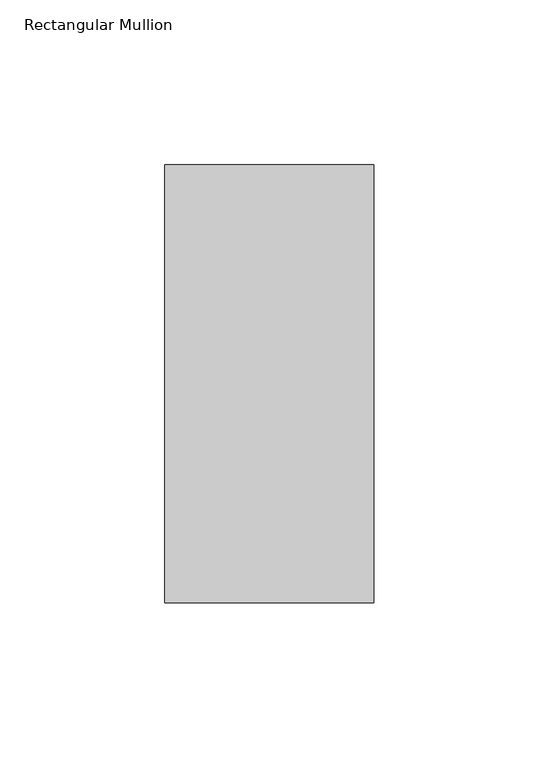
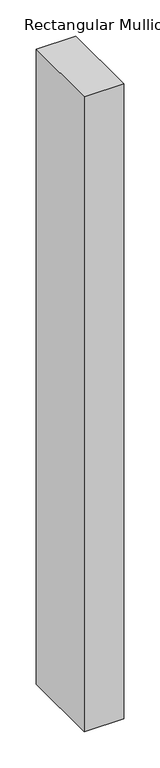
"""IFC4 building model written with IfcOpenShell, lengths in millimetres: member geometry, Rectangular Mullion."""

from ifc_helpers import new_model, si_unit, frame, origin, place, context, project, spatial, polyline, outline, extrude, source, transform, mapped, element, save


def rectangular_mullion_fdf87ed1(model_context):
    return source(origin(), model_context, "Body", "SweptSolid", [
        extrude(outline(polyline([(31.7499998, 184.2396938), (31.7499998, 51.2960937), (-31.7500002, 51.2960937), (-31.7500002, 184.2396938), (31.7499998, 184.2396938)])), frame((0.0, 0.0, -1074.8264372), z_axis=(0.0, 0.0, 1.0), x_axis=(1.0, 0.0, 0.0)), (0.0, 0.0, 1.0), 1074.8264372),
    ])


if __name__ == "__main__":
    model = new_model("IFC4")
    model_context = context("Model", 3, world=origin())
    ifc_project = project(units=[si_unit("LENGTHUNIT", "METRE", prefix="MILLI")], contexts=[model_context])
    site = spatial("IfcSite", under=ifc_project)
    building = spatial("IfcBuilding", under=site)
    placement = place(None, origin())
    rectangular_mullion_shape = rectangular_mullion_fdf87ed1(model_context)
    element("IfcMember", 1, ObjectType="Rectangular Mullion", at=placement, inside=building, context=model_context, shape_type="MappedRepresentation", body=[
        mapped(rectangular_mullion_shape, transform((0.0, 0.0, 0.0), x_axis=(1.0, 0.0, 0.0), y_axis=(0.0, 1.0, 0.0), z_axis=(0.0, 0.0, 1.0))),
    ])
    save(model, "model.ifc")
